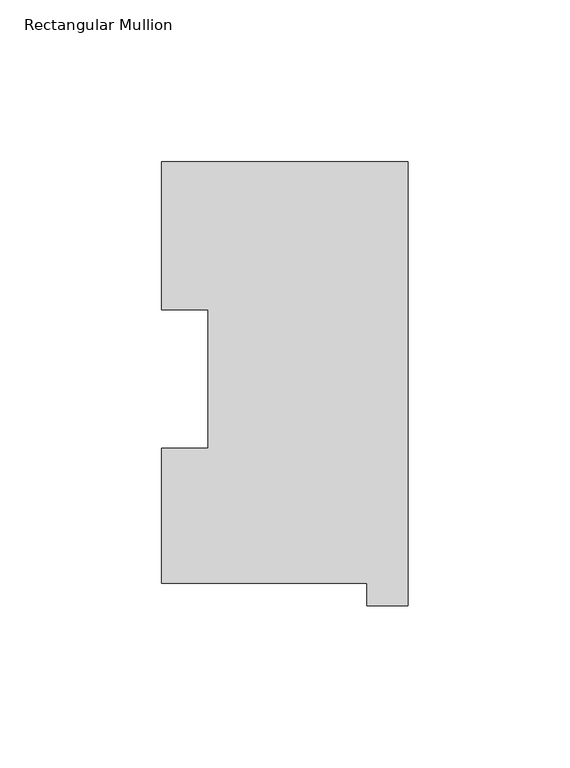
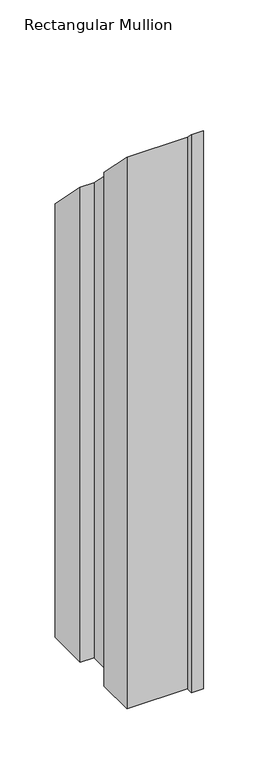
"""IFC4 building model written with IfcOpenShell, lengths in millimetres: member geometry, Rectangular Mullion."""

from ifc_helpers import new_model, si_unit, origin, place, context, project, spatial, faceted_brep, source, transform, mapped, element, save


def rectangular_mullion_3c4f6e07(model_context):
    return source(origin(), model_context, "Body", "Brep", [
        faceted_brep([(-76.2, 130.2646937, -609.6), (0.0, 130.2646937, -609.6), (0.0, -6.9461063, -609.6), (-12.7, -6.9461063, -609.6), (-12.7, -0.0373063, -609.6), (-76.2, -0.0373063, -609.6), (-76.2, 41.7508474, -609.6), (-61.9101579, 41.7508474, -609.6), (-61.9101579, 84.6335938, -609.6), (-76.2, 84.6335938, -609.6), (-76.2, 84.6335938, -84.6335938), (-76.2, 130.2646937, -130.2646937), (-61.9101579, 84.6335938, -84.6335938), (-61.9101579, 41.7508474, -41.7508474), (-76.2, 41.7508474, -41.7508474), (-76.2, -0.0373063, 0.0373063), (-12.7, -0.0373063, 0.0373063), (-12.7, -6.9461063, 6.9461063), (0.0, -6.9461063, 6.9461063), (0.0, 130.2646937, -130.2646937)], [[[0, 1, 2, 3, 4, 5, 6, 7, 8, 9]], [[10, 11, 0, 9]], [[12, 10, 9, 8]], [[13, 12, 8, 7]], [[14, 13, 7, 6]], [[15, 14, 6, 5]], [[16, 15, 5, 4]], [[17, 16, 4, 3]], [[18, 17, 3, 2]], [[19, 18, 2, 1]], [[11, 19, 1, 0]], [[11, 10, 12, 13, 14, 15, 16, 17, 18, 19]]]),
    ])


if __name__ == "__main__":
    model = new_model("IFC4")
    model_context = context("Model", 3, world=origin())
    ifc_project = project(units=[si_unit("LENGTHUNIT", "METRE", prefix="MILLI")], contexts=[model_context])
    site = spatial("IfcSite", under=ifc_project)
    building = spatial("IfcBuilding", under=site)
    placement = place(None, origin())
    rectangular_mullion_shape = rectangular_mullion_3c4f6e07(model_context)
    element("IfcMember", 1, ObjectType="Rectangular Mullion", at=placement, inside=building, context=model_context, shape_type="MappedRepresentation", body=[
        mapped(rectangular_mullion_shape, transform((0.0, 0.0, 0.0), x_axis=(1.0, 0.0, 0.0), y_axis=(0.0, 1.0, 0.0), z_axis=(0.0, 0.0, 1.0))),
    ])
    save(model, "model.ifc")
